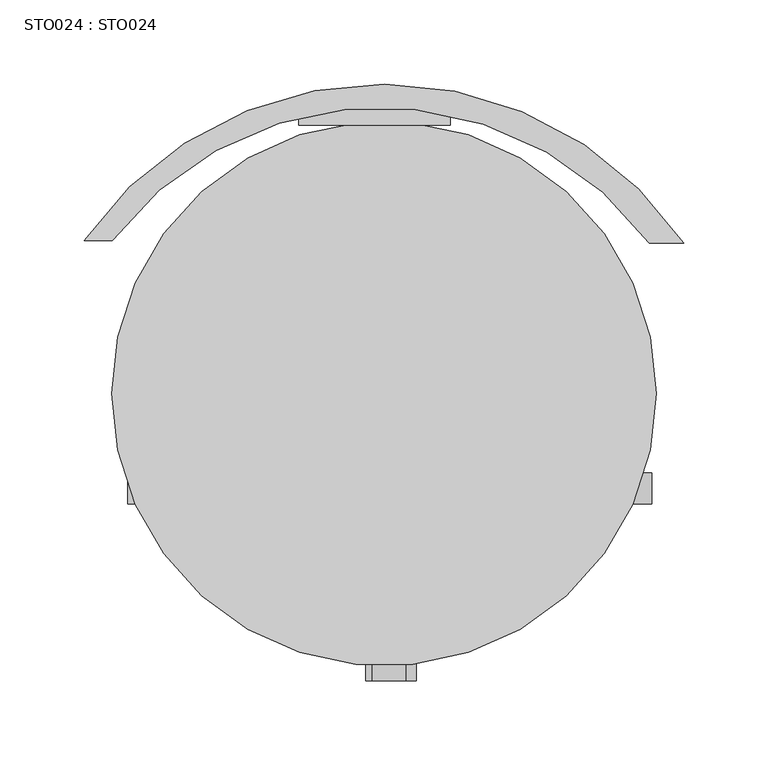
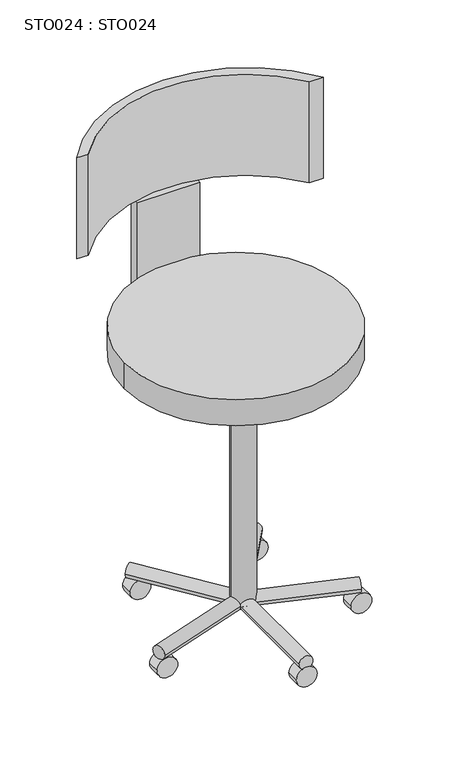
"""IFC4 building model written with IfcOpenShell, lengths in millimetres: proxy geometry, STO024 : STO024."""

from ifc_helpers import new_model, si_unit, point, frame, frame_2d, origin, place, context, project, spatial, polyline, circle_curve, trimmed, segment, composite_curve, outline, extrude, source, transform, mapped, element, save


def sto024_sto024_4f4f3a99(model_context):
    return source(origin(), model_context, "Body", "SweptSolid", [
        extrude(outline(composite_curve([segment(trimmed(circle_curve(frame_2d((193.2655579, -269.0141632)), 199.4100575), [point((353.2655579, -150.0))], [point((34.378892, -148.5176968))], True, "CARTESIAN"), True, "CONTINUOUS"), segment(polyline([(34.378892, -148.5176968), (17.7129954, -148.5176968)]), True, "CONTINUOUS"), segment(trimmed(circle_curve(frame_2d((195.2129954, -271.6495775)), 216.0271049), [point((17.7129954, -148.5176968))], [point((373.732155, -150.0))], False, "CARTESIAN"), True, "CONTINUOUS"), segment(polyline([(373.732155, -150.0), (353.2655579, -150.0)]), True, "CONTINUOUS")], self_intersect=False)), frame((0.0, 0.0, 559.8830499), z_axis=(0.0, 0.0, 1.0), x_axis=(1.0, 0.0, 0.0)), (0.0, 0.0, 1.0), 154.6501788),
        extrude(outline(composite_curve([segment(trimmed(circle_curve(frame_2d((14.5694791, 58.5570226)), 15.0), [point((14.5694791, 43.5570226))], [point((14.5694791, 73.5570226))], False, "CARTESIAN"), True, "CONTINUOUS"), segment(trimmed(circle_curve(frame_2d((14.5694791, 58.5570226)), 15.0), [point((14.5694791, 73.5570226))], [point((14.5694791, 43.5570226))], False, "CARTESIAN"), True, "CONTINUOUS")], self_intersect=False)), frame((0.0, -305.0, 0.0), z_axis=(0.0, 1.0, 0.0), x_axis=(0.0, 0.0, 1.0)), (0.0, 0.0, 1.0), 18.58),
        extrude(outline(composite_curve([segment(trimmed(circle_curve(frame_2d((14.5694791, 114.8204837)), 15.0), [point((14.5694791, 99.8204837))], [point((14.5694791, 129.8204837))], False, "CARTESIAN"), True, "CONTINUOUS"), segment(trimmed(circle_curve(frame_2d((14.5694791, 114.8204837)), 15.0), [point((14.5694791, 129.8204837))], [point((14.5694791, 99.8204837))], False, "CARTESIAN"), True, "CONTINUOUS")], self_intersect=False)), frame((0.0, -140.0, 0.0), z_axis=(0.0, 1.0, 0.0), x_axis=(0.0, 0.0, 1.0)), (0.0, 0.0, 1.0), 18.58),
        extrude(outline(composite_curve([segment(trimmed(circle_curve(frame_2d((14.5694791, 284.8204837)), 15.0), [point((14.5694791, 269.8204837))], [point((14.5694791, 299.8204837))], False, "CARTESIAN"), True, "CONTINUOUS"), segment(trimmed(circle_curve(frame_2d((14.5694791, 284.8204837)), 15.0), [point((14.5694791, 299.8204837))], [point((14.5694791, 269.8204837))], False, "CARTESIAN"), True, "CONTINUOUS")], self_intersect=False)), frame((0.0, -140.0, 0.0), z_axis=(0.0, 1.0, 0.0), x_axis=(0.0, 0.0, 1.0)), (0.0, 0.0, 1.0), 18.58),
        extrude(outline(composite_curve([segment(trimmed(circle_curve(frame_2d((14.5694791, 339.7754922)), 15.0), [point((14.5694791, 324.7754922))], [point((14.5694791, 354.7754922))], False, "CARTESIAN"), True, "CONTINUOUS"), segment(trimmed(circle_curve(frame_2d((14.5694791, 339.7754922)), 15.0), [point((14.5694791, 354.7754922))], [point((14.5694791, 324.7754922))], False, "CARTESIAN"), True, "CONTINUOUS")], self_intersect=False)), frame((0.0, -305.0, 0.0), z_axis=(0.0, 1.0, 0.0), x_axis=(0.0, 0.0, 1.0)), (0.0, 0.0, 1.0), 18.58),
        extrude(outline(composite_curve([segment(trimmed(circle_curve(frame_2d((14.5694791, 199.8676884)), 15.0), [point((14.5694791, 184.8676884))], [point((14.5694791, 214.8676884))], False, "CARTESIAN"), True, "CONTINUOUS"), segment(trimmed(circle_curve(frame_2d((14.5694791, 199.8676884)), 15.0), [point((14.5694791, 214.8676884))], [point((14.5694791, 184.8676884))], False, "CARTESIAN"), True, "CONTINUOUS")], self_intersect=False)), frame((0.0, -410.0, 0.0), z_axis=(0.0, 1.0, 0.0), x_axis=(0.0, 0.0, 1.0)), (0.0, 0.0, 1.0), 18.58),
        extrude(outline(polyline([(235.0, -80.0), (145.0, -80.0), (145.0, -65.0), (235.0, -65.0), (235.0, -80.0)])), frame((0.0, 0.0, 410.0244168), z_axis=(0.0, 0.0, 1.0), x_axis=(1.0, 0.0, 0.0)), (0.0, 0.0, 1.0), 149.8586331),
        extrude(outline(composite_curve([segment(trimmed(circle_curve(frame_2d((0.0, -10.0)), 10.0), [point((0.0, -20.0))], [point((0.0, 0.0))], False, "CARTESIAN"), True, "CONTINUOUS"), segment(trimmed(circle_curve(frame_2d((0.0, -10.0)), 10.0), [point((0.0, 0.0))], [point((0.0, -20.0))], False, "CARTESIAN"), True, "CONTINUOUS")], self_intersect=False)), frame((345.1250559, -286.8007924, 36.7615917), z_axis=(-0.9508448622928297, 0.3096676409496636, 0.0), x_axis=(0.0, 0.0, 1.0)), (0.0, 0.0, 1.0), 150.9774353),
        extrude(outline(composite_curve([segment(trimmed(circle_curve(frame_2d((0.0, -10.0)), 10.0), [point((0.0, -20.0))], [point((0.0, 0.0))], False, "CARTESIAN"), True, "CONTINUOUS"), segment(trimmed(circle_curve(frame_2d((0.0, -10.0)), 10.0), [point((0.0, 0.0))], [point((0.0, -20.0))], False, "CARTESIAN"), True, "CONTINUOUS")], self_intersect=False)), frame((52.9571544, -308.2427454, 36.7615917), z_axis=(0.9483955600318635, 0.3170896745588668, 0.0), x_axis=(0.0, 0.0, 1.0)), (0.0, 0.0, 1.0), 157.2549468),
        extrude(outline(composite_curve([segment(trimmed(circle_curve(frame_2d((36.7615917, 198.7424966)), 10.0), [point((36.7615917, 188.7424966))], [point((36.7615917, 208.7424966))], False, "CARTESIAN"), True, "CONTINUOUS"), segment(trimmed(circle_curve(frame_2d((36.7615917, 198.7424966)), 10.0), [point((36.7615917, 208.7424966))], [point((36.7615917, 188.7424966))], False, "CARTESIAN"), True, "CONTINUOUS")], self_intersect=False)), frame((0.0, -410.0, 0.0), z_axis=(0.0, 1.0, 0.0), x_axis=(0.0, 0.0, 1.0)), (0.0, 0.0, 1.0), 160.0),
        extrude(outline(composite_curve([segment(trimmed(circle_curve(frame_2d((0.0, -9.9999999)), 10.0), [point((0.0, -20.0))], [point((0.0, 0.0))], False, "CARTESIAN"), True, "CONTINUOUS"), segment(trimmed(circle_curve(frame_2d((0.0, -9.9999999)), 10.0), [point((0.0, 0.0))], [point((0.0, -20.0))], False, "CARTESIAN"), True, "CONTINUOUS")], self_intersect=False)), frame((206.0526053, -255.3121483, 36.7615917), z_axis=(0.5873949301705781, 0.8093004361854141, 0.0), x_axis=(0.0, 0.0, 1.0)), (0.0, 0.0, 1.0), 155.1114475),
        extrude(outline(composite_curve([segment(trimmed(circle_curve(frame_2d((0.0, -10.0)), 10.0), [point((0.0, -20.0))], [point((0.0, 0.0))], False, "CARTESIAN"), True, "CONTINUOUS"), segment(trimmed(circle_curve(frame_2d((0.0, -10.0)), 10.0), [point((0.0, 0.0))], [point((0.0, -20.0))], False, "CARTESIAN"), True, "CONTINUOUS")], self_intersect=False)), frame((206.8213337, -244.1187426, 36.7615917), z_axis=(-0.5881257419389853, 0.8087695046604553, 0.0), x_axis=(0.0, 0.0, 1.0)), (0.0, 0.0, 1.0), 155.9746448),
        extrude(outline(composite_curve([segment(trimmed(circle_curve(frame_2d((200.0119632, -249.9631575)), 17.0344146), [point((182.9775486, -249.9631575))], [point((217.0463779, -249.9631575))], False, "CARTESIAN"), True, "CONTINUOUS"), segment(trimmed(circle_curve(frame_2d((200.0119632, -249.9631575)), 17.0344146), [point((217.0463779, -249.9631575))], [point((182.9775486, -249.9631575))], False, "CARTESIAN"), True, "CONTINUOUS")], self_intersect=False)), frame((0.0, 0.0, 32.7158913), z_axis=(0.0, 0.0, 1.0), x_axis=(1.0, 0.0, 0.0)), (0.0, 0.0, 1.0), 377.3085255),
        extrude(outline(composite_curve([segment(trimmed(circle_curve(frame_2d((195.7552542, -239.4109143)), 161.6165798), [point((34.1386745, -239.4109143))], [point((357.371834, -239.4109143))], False, "CARTESIAN"), True, "CONTINUOUS"), segment(trimmed(circle_curve(frame_2d((195.7552542, -239.4109143)), 161.6165798), [point((357.371834, -239.4109143))], [point((34.1386745, -239.4109143))], False, "CARTESIAN"), True, "CONTINUOUS")], self_intersect=False)), frame((0.0, 0.0, 410.0244168), z_axis=(0.0, 0.0, 1.0), x_axis=(1.0, 0.0, 0.0)), (0.0, 0.0, 1.0), 39.9755832),
    ])


if __name__ == "__main__":
    model = new_model("IFC4")
    model_context = context("Model", 3, world=origin())
    ifc_project = project(units=[si_unit("LENGTHUNIT", "METRE", prefix="MILLI")], contexts=[model_context])
    site = spatial("IfcSite", under=ifc_project)
    building = spatial("IfcBuilding", under=site)
    placement = place(None, origin())
    sto024_sto024_shape = sto024_sto024_4f4f3a99(model_context)
    element("IfcBuildingElementProxy", 1, Name="STO024 : STO024", ObjectType="STO024 : STO024", at=placement, inside=building, context=model_context, shape_type="MappedRepresentation", body=[
        mapped(sto024_sto024_shape, transform((0.0, 0.0, 0.0), x_axis=(1.0, 0.0, 0.0), y_axis=(0.0, 1.0, 0.0), z_axis=(0.0, 0.0, 1.0))),
    ])
    save(model, "model.ifc")
